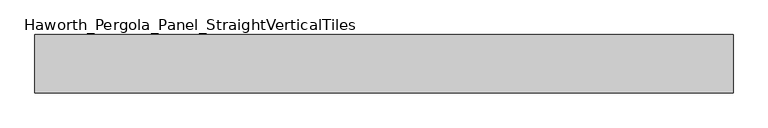
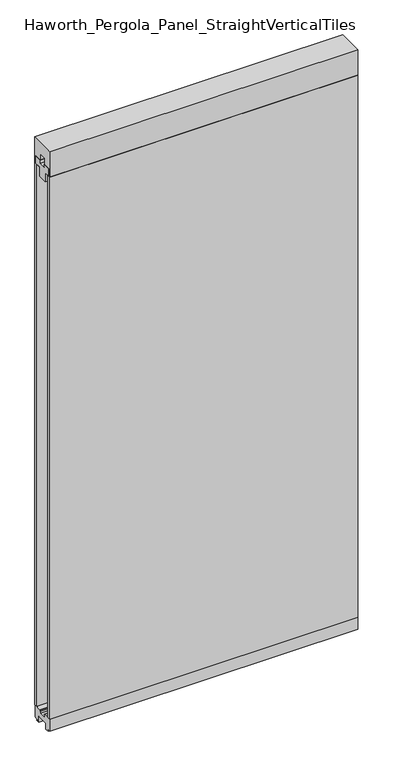
"""IFC4 building model written with IfcOpenShell, lengths in millimetres: furniture geometry, Haworth_Pergola_Panel_StraightVerticalTiles."""

from ifc_helpers import new_model, si_unit, frame, origin, place, context, project, spatial, polyline, outline, extrude, source, transform, mapped, element, save


def haworth_pergola_panel_straightverticaltiles_86caba4a(model_context):
    return source(origin(), model_context, "Body", "SweptSolid", [
        extrude(outline(polyline([(-12.7, 2363.5890625), (-12.7, 2350.8890625), (12.7, 2350.8890625), (12.7, 2363.5890625), (44.45, 2363.5890625), (44.45, 2331.8390625), (19.05, 2331.8390625), (19.05, 2293.7390625), (-19.05, 2293.7390625), (-19.05, 2331.8390625), (-44.45, 2331.8390625), (-44.45, 2363.5890625), (-12.7, 2363.5890625)])), frame((-571.5, 0.0, 0.0), z_axis=(1.0, 0.0, 0.0), x_axis=(0.0, 1.0, 0.0)), (0.0, 0.0, 1.0), 1219.2),
        extrude(outline(polyline([(-571.5, -50.8), (-571.5, -38.1), (647.7, -38.1), (647.7, -50.8), (-571.5, -50.8)])), frame((0.0, 0.0, 63.5), z_axis=(0.0, 0.0, 1.0), x_axis=(1.0, 0.0, 0.0)), (0.0, 0.0, 1.0), 2268.3390625),
        extrude(outline(polyline([(-571.5, 38.1), (-571.5, 50.8), (647.7, 50.8), (647.7, 38.1), (-571.5, 38.1)])), frame((0.0, 0.0, 63.5), z_axis=(0.0, 0.0, 1.0), x_axis=(1.0, 0.0, 0.0)), (0.0, 0.0, 1.0), 2268.3390625),
        extrude(outline(polyline([(50.8, 2438.4), (50.8, 2331.8390625), (15.2182948, 2331.8390625), (15.2182948, 2388.7001663), (-15.2182948, 2388.7001663), (-15.2182948, 2331.8390625), (-50.8, 2331.8390625), (-50.8, 2438.4), (50.8, 2438.4)])), frame((-571.5, 0.0, 0.0), z_axis=(1.0, 0.0, 0.0), x_axis=(0.0, 1.0, 0.0)), (0.0, 0.0, 1.0), 1219.2),
        extrude(outline(polyline([(16.2000002, 63.5), (50.0000003, 63.5), (50.0000003, 12.6999985), (40.9499986, 12.6999985), (38.949998, 10.6999979), (28.9499998, 10.6999979), (28.9499998, 7.6999994), (38.949998, 7.6999994), (38.949998, 5.6999988), (23.7499992, 5.6999988), (23.7499992, 31.4500009), (-23.7499993, 31.4500009), (-23.7499993, 5.6999988), (-38.9499981, 5.6999988), (-38.9499981, 7.6999994), (-28.9499999, 7.6999994), (-28.9499999, 10.6999979), (-38.9499981, 10.6999979), (-40.9499987, 12.6999985), (-50.0000004, 12.6999985), (-50.0000004, 63.5), (-16.2000003, 63.5), (-16.5085718, 61.7499999), (-13.3999997, 61.7499999), (-13.3999997, 58.8973461), (-15.4000003, 59.2499999), (-15.4000003, 48.3500004), (15.4000002, 48.3500004), (15.4000002, 59.2499999), (13.3999996, 58.8973461), (13.3999996, 61.7499999), (16.5085717, 61.7499999), (16.2000002, 63.5)])), frame((-571.5, 0.0, 0.0), z_axis=(1.0, 0.0, 0.0), x_axis=(0.0, 1.0, 0.0)), (0.0, 0.0, 1.0), 1219.2),
    ])


if __name__ == "__main__":
    model = new_model("IFC4")
    model_context = context("Model", 3, world=origin())
    ifc_project = project(units=[si_unit("LENGTHUNIT", "METRE", prefix="MILLI")], contexts=[model_context])
    site = spatial("IfcSite", under=ifc_project)
    building = spatial("IfcBuilding", under=site)
    placement = place(None, origin())
    haworth_pergola_panel_straightverticaltiles_shape = haworth_pergola_panel_straightverticaltiles_86caba4a(model_context)
    element("IfcFurniture", 1, ObjectType="Haworth_Pergola_Panel_StraightVerticalTiles", at=placement, inside=building, context=model_context, shape_type="MappedRepresentation", body=[
        mapped(haworth_pergola_panel_straightverticaltiles_shape, transform((0.0, 0.0, 0.0), x_axis=(1.0, 0.0, 0.0), y_axis=(0.0, 1.0, 0.0), z_axis=(0.0, 0.0, 1.0))),
    ])
    save(model, "model.ifc")
